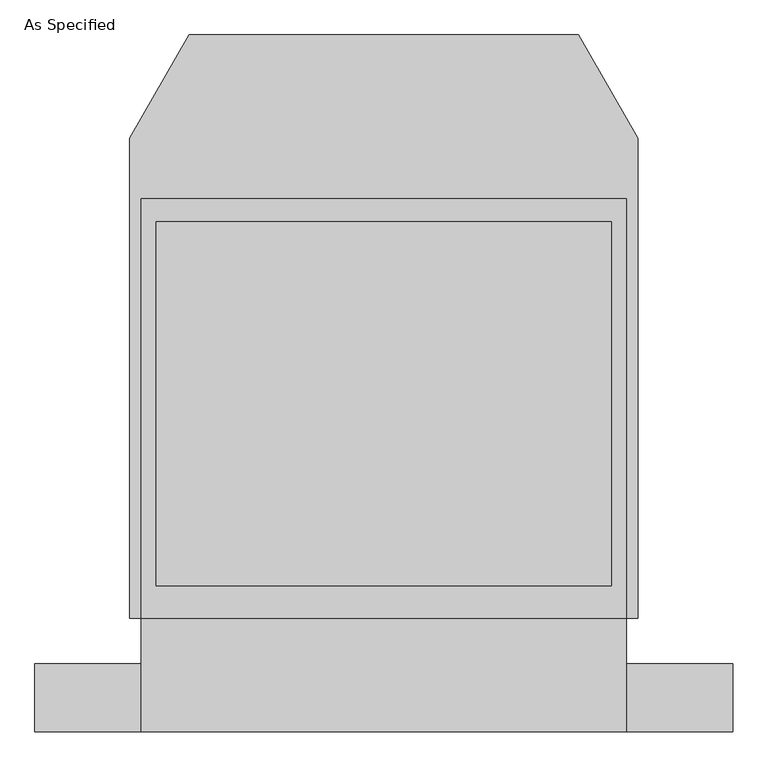
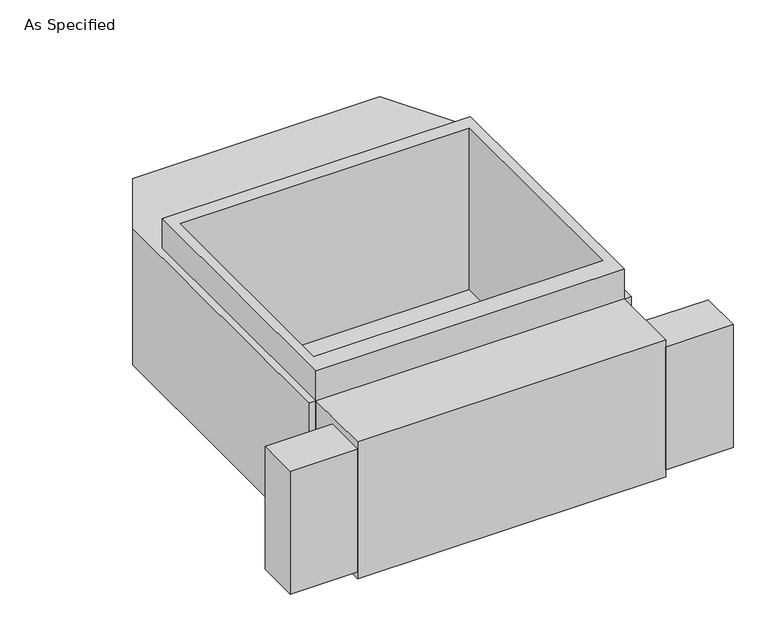
"""IFC4 building model written with IfcOpenShell, lengths in millimetres: proxy geometry, As Specified."""

from ifc_helpers import new_model, si_unit, frame, origin, place, context, project, spatial, polyline, outline, extrude, faceted_brep, source, transform, mapped, element, save


def as_specified_dc53d7cf(model_context):
    return source(origin(), model_context, "Body", "SolidModel", [
        extrude(outline(polyline([(812.8, -1166.5148438), (812.8, -937.9148438), (1168.4, -937.9148438), (1168.4, -1166.5148438), (812.8, -1166.5148438)])), frame((0.0, 0.0, -749.3), z_axis=(0.0, 0.0, 1.0), x_axis=(1.0, 0.0, 0.0)), (0.0, 0.0, 1.0), 685.8),
        extrude(outline(polyline([(-812.8, -1166.5148438), (-1168.4, -1166.5148438), (-1168.4, -937.9148438), (-812.8, -937.9148438), (-812.8, -1166.5148438)])), frame((0.0, 0.0, -749.3), z_axis=(0.0, 0.0, 1.0), x_axis=(1.0, 0.0, 0.0)), (0.0, 0.0, 1.0), 685.8),
        extrude(outline(polyline([(812.8, 617.8351562), (812.8, -785.5148438), (-812.8, -785.5148438), (-812.8, 617.8351562), (812.8, 617.8351562)]), holes=[polyline([(-762.0, 541.6748437), (-762.0, -677.5251563), (762.0, -677.5251563), (762.0, 541.6748437), (-762.0, 541.6748437)])]), frame((0.0, 0.0, -762.0), z_axis=(0.0, 0.0, 1.0), x_axis=(1.0, 0.0, 0.0)), (0.0, 0.0, 1.0), 901.7),
        faceted_brep([(812.8, -1166.5148438, -787.4), (-812.8, -1166.5148438, -787.4), (-812.8, -785.5148438, -787.4), (-850.9, -785.5148438, -787.4), (-850.9, 821.0748437, -787.4), (-651.460123, 1166.5148437, -787.4), (651.460123, 1166.5148437, -787.4), (850.9, 821.0748437, -787.4), (850.9, -785.5148438, -787.4), (812.8, -785.5148438, -787.4), (812.8, -1166.5148438, -25.4), (812.8, -785.5148438, -25.4), (850.9, -785.5148438, -25.4), (850.9, 821.0748437, -25.4), (651.460123, 1166.5148437, -25.4), (-651.460123, 1166.5148437, -25.4), (-850.9, 821.0748437, -25.4), (-850.9, -785.5148438, -25.4), (-812.8, -785.5148438, -25.4), (-812.8, -1166.5148438, -25.4), (762.0, 541.6748437, -25.4), (762.0, -677.5251563, -25.4), (-762.0, -677.5251563, -25.4), (-762.0, 541.6748437, -25.4), (762.0, 541.6748437, -762.0), (-762.0, 541.6748437, -762.0), (-762.0, -677.5251563, -762.0), (762.0, -677.5251563, -762.0)], [[[0, 1, 2, 3, 4, 5, 6, 7, 8, 9]], [[10, 11, 12, 13, 14, 15, 16, 17, 18, 19], [20, 21, 22, 23]], [[6, 5, 15, 14]], [[3, 17, 16, 4]], [[17, 3, 2, 18]], [[8, 12, 11, 9]], [[12, 8, 7, 13]], [[0, 9, 11, 10]], [[2, 1, 19, 18]], [[1, 0, 10, 19]], [[5, 4, 16, 15]], [[7, 6, 14, 13]], [[24, 25, 26, 27]], [[24, 27, 21, 20]], [[27, 26, 22, 21]], [[26, 25, 23, 22]], [[25, 24, 20, 23]]]),
    ])


if __name__ == "__main__":
    model = new_model("IFC4")
    model_context = context("Model", 3, world=origin())
    ifc_project = project(units=[si_unit("LENGTHUNIT", "METRE", prefix="MILLI")], contexts=[model_context])
    site = spatial("IfcSite", under=ifc_project)
    building = spatial("IfcBuilding", under=site)
    placement = place(None, origin())
    as_specified_shape = as_specified_dc53d7cf(model_context)
    element("IfcBuildingElementProxy", 1, Name="As Specified", ObjectType="As Specified", at=placement, inside=building, context=model_context, shape_type="MappedRepresentation", body=[
        mapped(as_specified_shape, transform((0.0, 0.0, 0.0), x_axis=(1.0, 0.0, 0.0), y_axis=(0.0, 1.0, 0.0), z_axis=(0.0, 0.0, 1.0))),
    ])
    save(model, "model.ifc")
